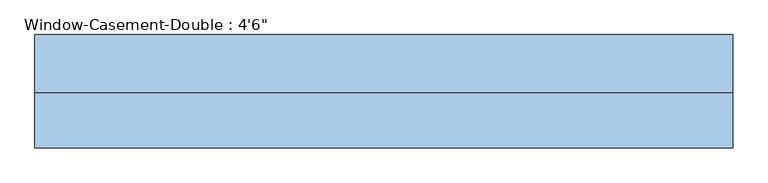
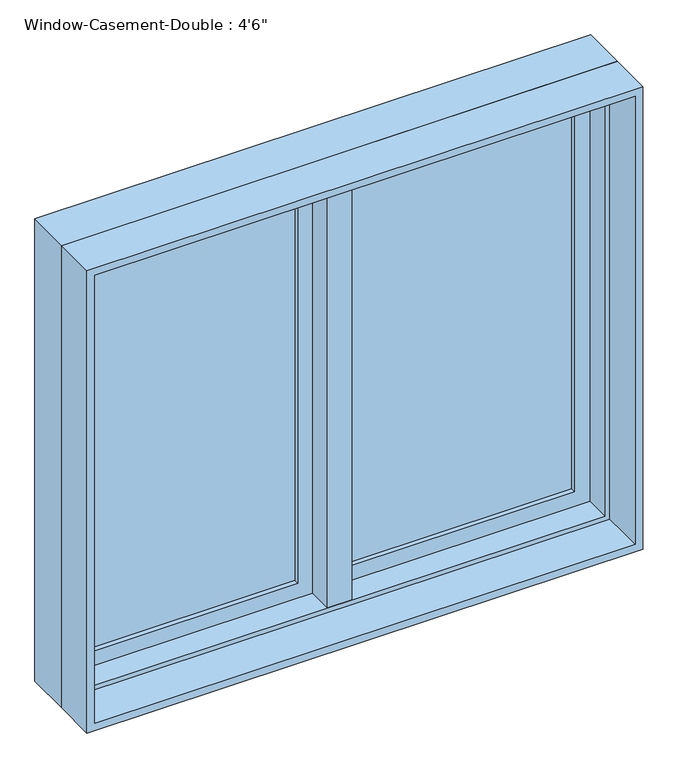
"""IFC4 building model written with IfcOpenShell, lengths in millimetres: window geometry."""

from ifc_helpers import new_model, si_unit, frame, origin, place, context, project, spatial, polyline, outline, extrude, faceted_brep, source, transform, mapped, element, save


def window_d6e2f616(model_context):
    return source(origin(), model_context, "Body", "SolidModel", [
        faceted_brep([(9.525, 120.65, 2108.2), (-9.525, 120.65, 2108.2), (-9.525, 69.85, 2108.2), (9.525, 69.85, 2108.2), (9.525, 120.65, 927.1), (9.525, 69.85, 927.1), (-9.525, 69.85, 927.1), (-9.525, 120.65, 927.1), (-9.525, 69.85, 946.15), (-9.525, 69.85, 2089.15), (-30.1625, 69.85, 946.15), (-30.1625, 69.85, 2089.15), (-30.1625, 6.35, 946.15), (-30.1625, 6.35, 2089.15), (30.1625, 6.35, 946.15), (30.1625, 6.35, 2089.15), (30.1625, 69.85, 946.15), (30.1625, 69.85, 2089.15), (9.525, 69.85, 946.15), (9.525, 69.85, 2089.15)], [[[0, 1, 2, 3]], [[4, 5, 6, 7]], [[1, 0, 4, 7]], [[2, 1, 7, 6, 8, 9]], [[9, 8, 10, 11]], [[11, 10, 12, 13]], [[13, 12, 14, 15]], [[15, 14, 16, 17]], [[17, 16, 18, 19]], [[0, 3, 19, 18, 5, 4]], [[18, 8, 6, 5]], [[9, 19, 3, 2]], [[8, 18, 16, 14, 12, 10]], [[19, 9, 11, 13, 15, 17]]]),
        extrude(outline(polyline([(-66.675, 101.6), (-66.675, 95.25), (-615.95, 95.25), (-615.95, 101.6), (-66.675, 101.6)])), frame((0.0, 0.0, 984.25), z_axis=(0.0, 0.0, 1.0), x_axis=(1.0, 0.0, 0.0)), (0.0, 0.0, 1.0), 1066.8),
        extrude(outline(polyline([(-615.95, 82.55), (-615.95, 88.9), (-66.675, 88.9), (-66.675, 82.55), (-615.95, 82.55)])), frame((0.0, 0.0, 984.25), z_axis=(0.0, 0.0, 1.0), x_axis=(1.0, 0.0, 0.0)), (0.0, 0.0, 1.0), 1066.8),
        extrude(outline(polyline([(615.95, 101.6), (615.95, 95.25), (66.675, 95.25), (66.675, 101.6), (615.95, 101.6)])), frame((0.0, 0.0, 984.25), z_axis=(0.0, 0.0, 1.0), x_axis=(1.0, 0.0, 0.0)), (0.0, 0.0, 1.0), 1066.8),
        extrude(outline(polyline([(66.675, 82.55), (66.675, 88.9), (615.95, 88.9), (615.95, 82.55), (66.675, 82.55)])), frame((0.0, 0.0, 984.25), z_axis=(0.0, 0.0, 1.0), x_axis=(1.0, 0.0, 0.0)), (0.0, 0.0, 1.0), 1066.8),
        extrude(outline(polyline([(2108.2, -673.1), (927.1, -673.1), (927.1, -9.525), (2108.2, -9.525), (2108.2, -673.1)]), holes=[polyline([(2051.05, -66.675), (984.25, -66.675), (984.25, -615.95), (2051.05, -615.95), (2051.05, -66.675)])]), frame((0.0, 69.85, 0.0), z_axis=(0.0, 1.0, 0.0), x_axis=(0.0, 0.0, 1.0)), (0.0, 0.0, 1.0), 44.45),
        extrude(outline(polyline([(927.1, 673.1), (2108.2, 673.1), (2108.2, 9.525), (927.1, 9.525), (927.1, 673.1)]), holes=[polyline([(984.25, 66.675), (2051.05, 66.675), (2051.05, 615.95), (984.25, 615.95), (984.25, 66.675)])]), frame((0.0, 69.85, 0.0), z_axis=(0.0, 1.0, 0.0), x_axis=(0.0, 0.0, 1.0)), (0.0, 0.0, 1.0), 44.45),
        extrude(outline(polyline([(2120.9, -685.8), (914.4, -685.8), (914.4, 685.8), (2120.9, 685.8), (2120.9, -685.8)]), holes=[polyline([(2101.85, 666.75), (933.45, 666.75), (933.45, -666.75), (2101.85, -666.75), (2101.85, 666.75)])]), frame((0.0, -101.6, 0.0), z_axis=(0.0, 1.0, 0.0), x_axis=(0.0, 0.0, 1.0)), (0.0, 0.0, 1.0), 107.95),
        faceted_brep([(654.05, 69.85, 2089.15), (654.05, 6.35, 2089.15), (-654.05, 6.35, 2089.15), (-654.05, 69.85, 2089.15), (673.1, 120.65, 2108.2), (673.1, 69.85, 2108.2), (-673.1, 69.85, 2108.2), (-673.1, 120.65, 2108.2), (685.8, 6.35, 2120.9), (685.8, 120.65, 2120.9), (-685.8, 120.65, 2120.9), (-685.8, 6.35, 2120.9), (-654.05, 6.35, 946.15), (-654.05, 69.85, 946.15), (-673.1, 69.85, 927.1), (-673.1, 120.65, 927.1), (-685.8, 120.65, 914.4), (-685.8, 6.35, 914.4), (654.05, 6.35, 946.15), (654.05, 69.85, 946.15), (673.1, 69.85, 927.1), (673.1, 120.65, 927.1), (685.8, 120.65, 914.4), (685.8, 6.35, 914.4)], [[[0, 1, 2, 3]], [[4, 5, 6, 7]], [[8, 9, 10, 11]], [[3, 2, 12, 13]], [[7, 6, 14, 15]], [[11, 10, 16, 17]], [[13, 12, 18, 19]], [[15, 14, 20, 21]], [[17, 16, 22, 23]], [[11, 17, 23, 8], [1, 18, 12, 2]], [[19, 18, 1, 0]], [[5, 20, 14, 6], [3, 13, 19, 0]], [[21, 20, 5, 4]], [[23, 22, 9, 8]], [[9, 22, 16, 10], [7, 15, 21, 4]]]),
    ])


if __name__ == "__main__":
    model = new_model("IFC4")
    model_context = context("Model", 3, world=origin())
    ifc_project = project(units=[si_unit("LENGTHUNIT", "METRE", prefix="MILLI")], contexts=[model_context])
    site = spatial("IfcSite", under=ifc_project)
    building = spatial("IfcBuilding", under=site)
    placement = place(None, origin())
    window_shape = window_d6e2f616(model_context)
    element("IfcWindow", 1, ObjectType="Window-Casement-Double : 4'6\"", at=placement, inside=building, context=model_context, shape_type="MappedRepresentation", body=[
        mapped(window_shape, transform((0.0, 0.0, 0.0), x_axis=(1.0, 0.0, 0.0), y_axis=(0.0, 1.0, 0.0), z_axis=(0.0, 0.0, 1.0))),
    ])
    save(model, "model.ifc")
